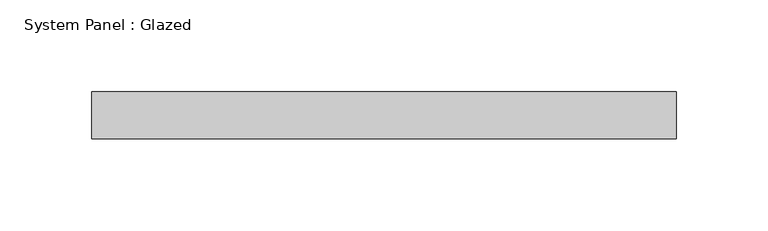
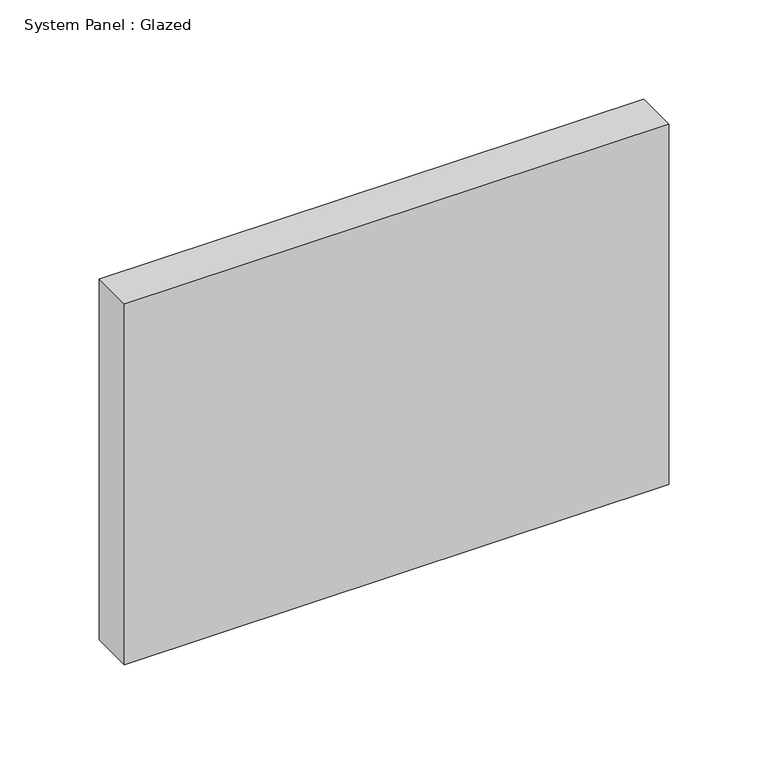
"""IFC4 building model written with IfcOpenShell, lengths in millimetres: plate geometry, System Panel : Glazed."""

from ifc_helpers import new_model, si_unit, origin, origin_with_axes, place, context, project, spatial, polyline, outline, extrude, source, transform, mapped, element, save


def system_panel_glazed_0157c675(model_context):
    return source(origin(), model_context, "Body", "SweptSolid", [
        extrude(outline(polyline([(158.75, 19.05), (-158.75, 19.05), (-158.75, 44.45), (158.75, 44.45), (158.75, 19.05)])), origin_with_axes(), (0.0, 0.0, 1.0), 222.25),
    ])


if __name__ == "__main__":
    model = new_model("IFC4")
    model_context = context("Model", 3, world=origin())
    ifc_project = project(units=[si_unit("LENGTHUNIT", "METRE", prefix="MILLI")], contexts=[model_context])
    site = spatial("IfcSite", under=ifc_project)
    building = spatial("IfcBuilding", under=site)
    placement = place(None, origin())
    system_panel_glazed_shape = system_panel_glazed_0157c675(model_context)
    element("IfcPlate", 1, ObjectType="System Panel : Glazed", at=placement, inside=building, context=model_context, shape_type="MappedRepresentation", body=[
        mapped(system_panel_glazed_shape, transform((0.0, 0.0, 0.0), x_axis=(1.0, 0.0, 0.0), y_axis=(0.0, 1.0, 0.0), z_axis=(0.0, 0.0, 1.0))),
    ])
    save(model, "model.ifc")
